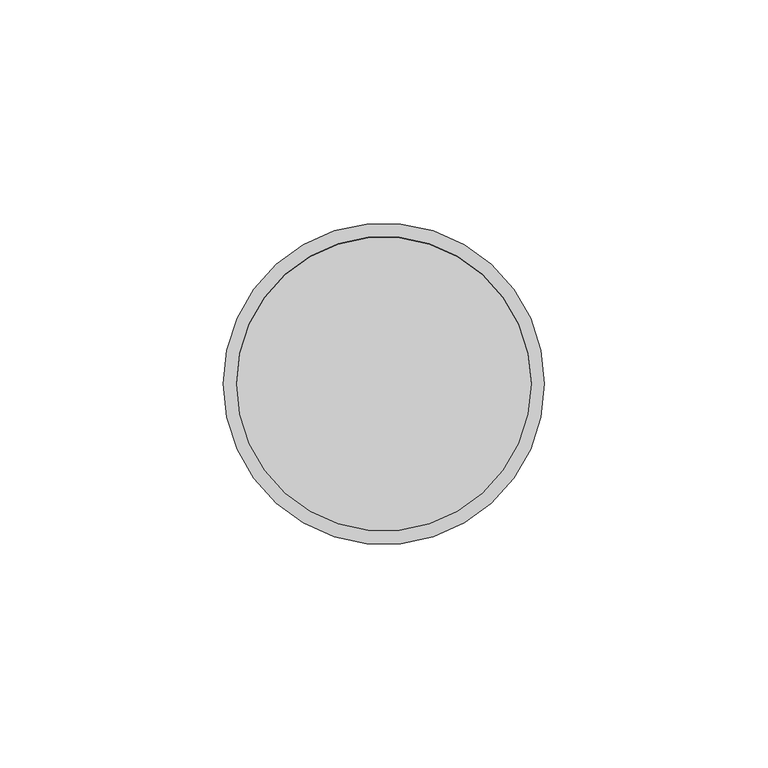
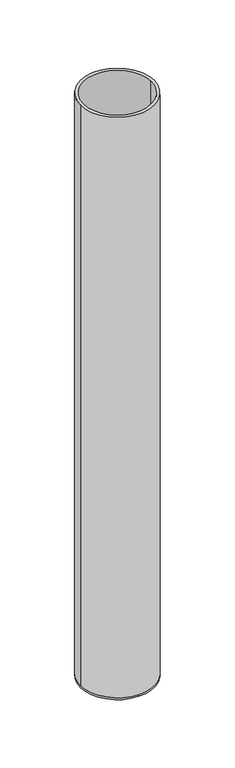
"""IFC4 building model written with IfcOpenShell, lengths in millimetres: beam geometry."""

from ifc_helpers import new_model, si_unit, frame, origin, place, context, project, spatial, polyline, circle_curve, source, transform, mapped, element, save
from ifc_brep_helpers import plane_surface, cylinder_surface, revolved_surface, advanced_brep


def beam_c7d84792(model_context):
    return source(origin(), model_context, "Body", "AdvancedBrep", [
        advanced_brep(
        [(36.0, 0.0, 0.0), (-36.0, 0.0, 0.0), (33.0, 0.0, 0.0), (-33.0, 0.0, 0.0), (33.0, 0.0, -598.0), (-33.0, 0.0, -598.0), (36.0, 0.0, -598.0), (0.0, 36.0, -598.0), (-36.0, 0.0, -598.0), (0.0, -36.0, -598.0), (0.0, 36.0, -600.0), (0.0, -36.0, -600.0)],
        [
            (0, 1, circle_curve(frame((0.0, 0.0, 0.0), z_axis=(0.0, 0.0, 1.0), x_axis=(-1.0, 0.0, 0.0)), 36.0)),
            (1, 0, circle_curve(frame((0.0, 0.0, 0.0), z_axis=(0.0, 0.0, 1.0), x_axis=(-1.0, 0.0, 0.0)), 36.0)),
            (2, 3, circle_curve(frame((0.0, 0.0, 0.0), z_axis=(0.0, 0.0, -1.0), x_axis=(-1.0, 0.0, 0.0)), 33.0)),
            (3, 2, circle_curve(frame((0.0, 0.0, 0.0), z_axis=(0.0, 0.0, -1.0), x_axis=(-1.0, 0.0, 0.0)), 33.0)),
            (2, 4),
            (4, 5, circle_curve(frame((0.0, 0.0, -598.0), z_axis=(0.0, 0.0, -1.0), x_axis=(-1.0, 0.0, 0.0)), 33.0)),
            (5, 3),
            (5, 4, circle_curve(frame((0.0, 0.0, -598.0), z_axis=(0.0, 0.0, -1.0), x_axis=(-1.0, 0.0, 0.0)), 33.0)),
            (0, 6),
            (6, 7, circle_curve(frame((0.0, 0.0, -598.0), z_axis=(0.0, 0.0, 1.0), x_axis=(-1.0, 0.0, 0.0)), 36.0)),
            (7, 8, circle_curve(frame((0.0, 0.0, -598.0), z_axis=(0.0, 0.0, 1.0), x_axis=(-1.0, 0.0, 0.0)), 36.0)),
            (8, 1),
            (8, 9, circle_curve(frame((0.0, 0.0, -598.0), z_axis=(0.0, 0.0, 1.0), x_axis=(-1.0, 0.0, 0.0)), 36.0)),
            (9, 6, circle_curve(frame((0.0, 0.0, -598.0), z_axis=(0.0, 0.0, 1.0), x_axis=(-1.0, 0.0, 0.0)), 36.0)),
            (10, 11, circle_curve(frame((0.0, 0.0, -600.0), z_axis=(0.0, 0.0, -1.0), x_axis=(0.0, -1.0, 0.0)), 36.0)),
            (11, 10, circle_curve(frame((0.0, 0.0, -600.0), z_axis=(0.0, 0.0, -1.0), x_axis=(0.0, -1.0, 0.0)), 36.0)),
            (11, 9),
            (7, 10),
        ],
        [
            plane_surface(frame((0.0, 0.0, 0.0), z_axis=(0.0, 0.0, 1.0), x_axis=(0.0, -1.0, 0.0))),
            revolved_surface(polyline([(-33.0, 0.0, 0.0), (-33.0, 0.0, -598.0)]), (0.0, 0.0, -598.0), (0.0, 0.0, 1.0)),
            cylinder_surface(frame((0.0, 0.0, -598.0), z_axis=(0.0, 0.0, -1.0), x_axis=(-1.0, 0.0, 0.0)), 36.0),
            plane_surface(frame((0.0, 0.0, -598.0), z_axis=(0.0, 0.0, 1.0), x_axis=(0.0, -1.0, 0.0))),
            plane_surface(frame((0.0, 0.0, -600.0), z_axis=(0.0, 0.0, -1.0), x_axis=(0.0, -1.0, 0.0))),
            cylinder_surface(frame((0.0, 0.0, -598.0), z_axis=(0.0, 0.0, 1.0), x_axis=(0.0, -1.0, 0.0)), 36.0),
        ],
        [
            (0, [[1, 2], [3, 4]]),
            (1, [[-3, 5, 6, 7]]),
            (1, [[-4, -7, 8, -5]]),
            (2, [[-1, 9, 10, 11, 12]]),
            (2, [[-2, -12, 13, 14, -9]]),
            (3, [[-6, -8]]),
            (4, [[15, 16]]),
            (5, [[-16, 17, -13, -11, 18]]),
            (5, [[-15, -18, -10, -14, -17]]),
        ],
    ),
    ])


if __name__ == "__main__":
    model = new_model("IFC4")
    model_context = context("Model", 3, world=origin())
    ifc_project = project(units=[si_unit("LENGTHUNIT", "METRE", prefix="MILLI")], contexts=[model_context])
    site = spatial("IfcSite", under=ifc_project)
    building = spatial("IfcBuilding", under=site)
    placement = place(None, origin())
    beam_shape = beam_c7d84792(model_context)
    element("IfcBeam", 1, at=placement, inside=building, context=model_context, shape_type="MappedRepresentation", body=[
        mapped(beam_shape, transform((0.0, 0.0, 0.0), x_axis=(1.0, 0.0, 0.0), y_axis=(0.0, 1.0, 0.0), z_axis=(0.0, 0.0, 1.0))),
    ])
    save(model, "model.ifc")
